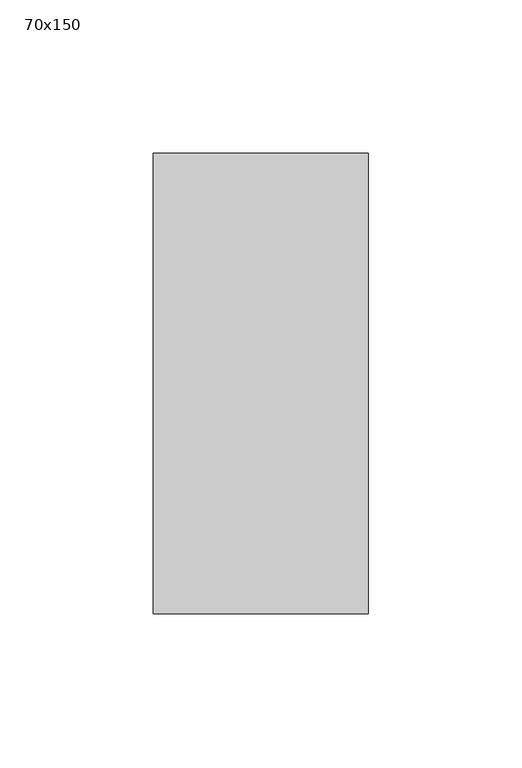
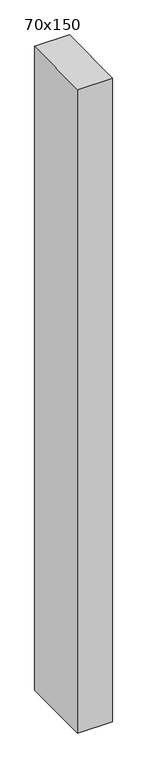
"""IFC4 building model written with IfcOpenShell, lengths in millimetres: member geometry, 70x150."""

from ifc_helpers import new_model, si_unit, frame, origin, place, context, project, spatial, polyline, outline, extrude, source, transform, mapped, element, save


def member_70x150_30d5b15a(model_context):
    return source(origin(), model_context, "Body", "SweptSolid", [
        extrude(outline(polyline([(-75.0, -0.5238321), (75.0, 0.5238321), (75.0, -1373.1391277), (-75.0, -1373.1391277), (-75.0, -0.5238321)])), frame((-35.0, 0.0, 0.0), z_axis=(1.0, 0.0, 0.0), x_axis=(0.0, 1.0, 0.0)), (0.0, 0.0, 1.0), 70.0),
    ])


if __name__ == "__main__":
    model = new_model("IFC4")
    model_context = context("Model", 3, world=origin())
    ifc_project = project(units=[si_unit("LENGTHUNIT", "METRE", prefix="MILLI")], contexts=[model_context])
    site = spatial("IfcSite", under=ifc_project)
    building = spatial("IfcBuilding", under=site)
    placement = place(None, origin())
    member_70x150_shape = member_70x150_30d5b15a(model_context)
    element("IfcMember", 1, ObjectType="70x150", at=placement, inside=building, context=model_context, shape_type="MappedRepresentation", body=[
        mapped(member_70x150_shape, transform((0.0, 0.0, 0.0), x_axis=(1.0, 0.0, 0.0), y_axis=(0.0, 1.0, 0.0), z_axis=(0.0, 0.0, 1.0))),
    ])
    save(model, "model.ifc")
